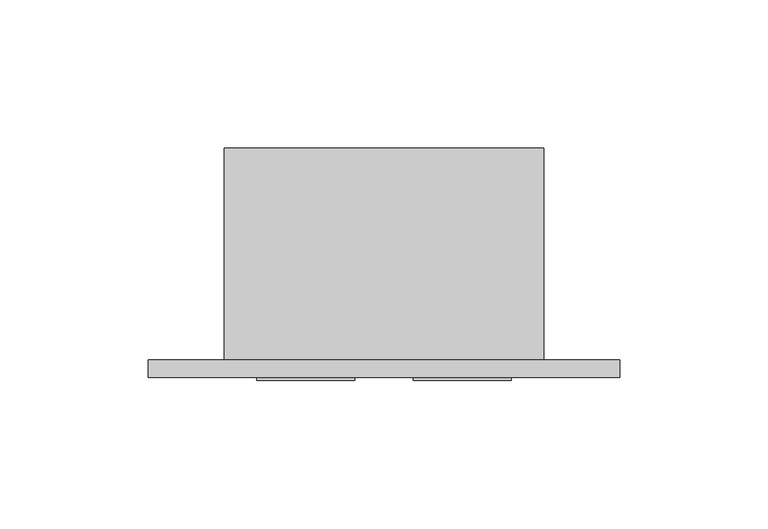
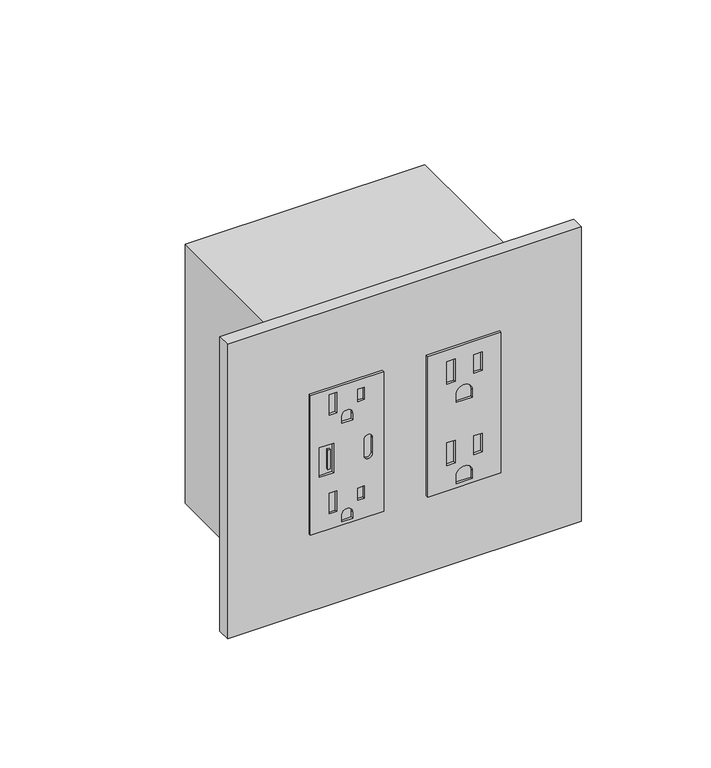
"""IFC4 building model written with IfcOpenShell, lengths in millimetres: proxy geometry."""

from ifc_helpers import new_model, si_unit, point, frame, frame_2d, origin, place, context, project, spatial, polyline, circle_curve, trimmed, segment, composite_curve, outline, extrude, source, transform, mapped, element, save


def electrical_fixtures_3127a11c(model_context):
    return source(origin(), model_context, "Body", "SweptSolid", [
        extrude(outline(polyline([(414.3876229, 96.9264), (414.3876229, 63.9318), (347.4332229, 63.9318), (347.4332229, 96.9264), (414.3876229, 96.9264)]), holes=[polyline([(409.0028229, 76.2762), (398.1824229, 76.2762), (398.1824229, 72.4408), (409.0028229, 72.4408), (409.0028229, 76.2762)]), polyline([(408.0249229, 88.4428), (399.1603229, 88.4428), (399.1603229, 84.6074), (408.0249229, 84.6074), (408.0249229, 88.4428)]), composite_curve([segment(polyline([(387.9970229, 76.7969), (391.6292229, 76.7969)]), True, "CONTINUOUS"), segment(trimmed(circle_curve(frame_2d((391.6292229, 80.4291)), 3.6322), [point((391.6292229, 76.7969))], [point((391.6292229, 84.0613))], True, "CARTESIAN"), True, "CONTINUOUS"), segment(polyline([(391.6292229, 84.0613), (387.9970229, 84.0613), (387.9970229, 76.7969)]), True, "CONTINUOUS")], self_intersect=False), polyline([(370.2678229, 76.2762), (359.4474229, 76.2762), (359.4474229, 72.4408), (370.2678229, 72.4408), (370.2678229, 76.2762)]), polyline([(369.2899229, 88.4428), (360.4253229, 88.4428), (360.4253229, 84.6074), (369.2899229, 84.6074), (369.2899229, 88.4428)]), composite_curve([segment(polyline([(352.8942229, 84.0613), (349.2620229, 84.0613), (349.2620229, 76.7969), (352.8942229, 76.7969)]), True, "CONTINUOUS"), segment(trimmed(circle_curve(frame_2d((352.8942229, 80.4291)), 3.6322), [point((352.8942229, 76.7969))], [point((352.8942229, 84.0613))], True, "CARTESIAN"), True, "CONTINUOUS")], self_intersect=False)]), frame((0.0, -6.9294746, 0.0), z_axis=(0.0, 1.0, 0.0), x_axis=(0.0, 0.0, 1.0)), (0.0, 0.0, 1.0), 1.0366746),
        extrude(outline(polyline([(414.1844229, 44.0944), (414.1844229, 11.0998), (347.6364229, 11.0998), (347.6364229, 44.0944), (414.1844229, 44.0944)]), holes=[polyline([(411.7460229, 22.9616), (401.9184878, 22.9616), (401.9184878, 19.6342), (411.7460229, 19.6342), (411.7460229, 22.9616)]), polyline([(409.7405554, 35.41014), (403.9239554, 35.41014), (403.9239554, 32.4358), (409.7405554, 32.4358), (409.7405554, 35.41014)]), composite_curve([segment(polyline([(396.1504229, 30.0609), (396.1504229, 25.1333), (399.2492229, 25.1333)]), True, "CONTINUOUS"), segment(trimmed(circle_curve(frame_2d((399.2492229, 27.5971)), 2.4638), [point((399.2492229, 25.1333))], [point((399.2492229, 30.0609))], True, "CARTESIAN"), True, "CONTINUOUS"), segment(polyline([(399.2492229, 30.0609), (396.1504229, 30.0609)]), True, "CONTINUOUS")], self_intersect=False), polyline([(364.7560229, 22.9616), (354.9284878, 22.9616), (354.9284878, 19.6342), (364.7560229, 19.6342), (364.7560229, 22.9616)]), polyline([(362.7505554, 35.41014), (356.9339554, 35.41014), (356.9339554, 32.4358), (362.7505554, 32.4358), (362.7505554, 35.41014)]), composite_curve([segment(polyline([(349.1604229, 30.0609), (349.1604229, 25.1333), (352.2592229, 25.1333)]), True, "CONTINUOUS"), segment(trimmed(circle_curve(frame_2d((352.2592229, 27.5971)), 2.4638), [point((352.2592229, 25.1333))], [point((352.2592229, 30.0609))], True, "CARTESIAN"), True, "CONTINUOUS"), segment(polyline([(352.2592229, 30.0609), (349.1604229, 30.0609)]), True, "CONTINUOUS")], self_intersect=False), polyline([(387.9589229, 21.59), (373.8619229, 21.59), (373.8619229, 15.0876), (387.9589229, 15.0876), (387.9589229, 21.59)]), composite_curve([segment(trimmed(circle_curve(frame_2d((377.1258229, 37.1348)), 1.905), [point((377.1258229, 39.0398))], [point((377.1258229, 35.2298))], True, "CARTESIAN"), True, "CONTINUOUS"), segment(polyline([(377.1258229, 35.2298), (384.6950229, 35.2298)]), True, "CONTINUOUS"), segment(trimmed(circle_curve(frame_2d((384.6950229, 37.1348)), 1.905), [point((384.6950229, 35.2298))], [point((384.6950229, 39.0398))], True, "CARTESIAN"), True, "CONTINUOUS"), segment(polyline([(384.6950229, 39.0398), (377.1258229, 39.0398)]), True, "CONTINUOUS")], self_intersect=False)]), frame((0.0, -6.9294746, 0.0), z_axis=(0.0, 1.0, 0.0), x_axis=(0.0, 0.0, 1.0)), (0.0, 0.0, 1.0), 1.0366746),
        extrude(outline(polyline([(20.0803959, -6.9294746), (18.9613268, -6.9294746), (18.9613268, -5.8928), (20.0803959, -5.8928), (20.0803959, -6.9294746)])), frame((0.0, 0.0, 376.2102391), z_axis=(0.0, 0.0, 1.0), x_axis=(1.0, 0.0, 0.0)), (0.0, 0.0, 1.0), 9.2470447),
        extrude(outline(polyline([(-25.6794, 0.0), (133.7056, 0.0), (133.7056, -5.8928), (-25.6794, -5.8928), (-25.6794, 0.0)])), frame((0.0, 0.0, 310.7302229), z_axis=(0.0, 0.0, 1.0), x_axis=(1.0, 0.0, 0.0)), (0.0, 0.0, 1.0), 140.3604),
        extrude(outline(polyline([(108.0262, 0.0), (0.0, 0.0), (0.0, 71.7296), (108.0262, 71.7296), (108.0262, 0.0)])), frame((0.0, 0.0, 319.1630229), z_axis=(0.0, 0.0, 1.0), x_axis=(1.0, 0.0, 0.0)), (0.0, 0.0, 1.0), 123.4948),
    ])


if __name__ == "__main__":
    model = new_model("IFC4")
    model_context = context("Model", 3, world=origin())
    ifc_project = project(units=[si_unit("LENGTHUNIT", "METRE", prefix="MILLI")], contexts=[model_context])
    site = spatial("IfcSite", under=ifc_project)
    building = spatial("IfcBuilding", under=site)
    placement = place(None, origin())
    electrical_fixtures_shape = electrical_fixtures_3127a11c(model_context)
    element("IfcBuildingElementProxy", 1, Name="Electrical Fixtures", at=placement, inside=building, context=model_context, shape_type="MappedRepresentation", body=[
        mapped(electrical_fixtures_shape, transform((0.0, 0.0, 0.0), x_axis=(1.0, 0.0, 0.0), y_axis=(0.0, 1.0, 0.0), z_axis=(0.0, 0.0, 1.0))),
    ])
    save(model, "model.ifc")
